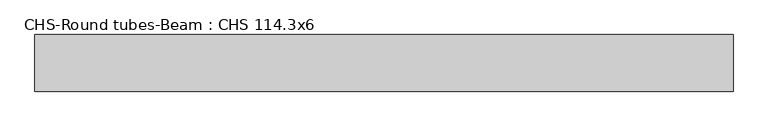
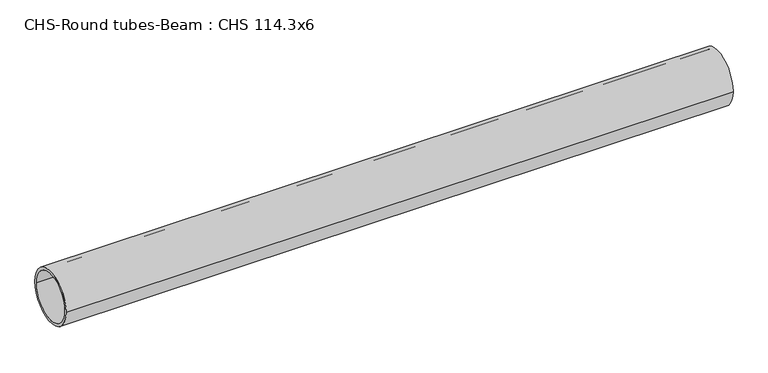
"""IFC4 building model written with IfcOpenShell, lengths in millimetres: beam geometry, CHS-Round tubes-Beam : CHS 114.3x6."""

import ifcopenshell
import ifcopenshell.guid

model = None  # the IFC model being written
_history = None  # IfcOwnerHistory: only IFC2X3 demands one
_inside = {}  # id of a spatial element -> (the spatial element, [elements in it])
_under = {}  # id of a project, library or spatial element -> (it, [spatial elements below it])
_declared = {}  # id of a project -> (the project, [libraries it declares])
_typed = {}  # id of a type object -> (the type object, [elements of that type])
_made_of = {}  # id of a material, layer set ... -> (it, [elements and type objects made of it])


def new_model(schema):
    """Start an empty IFC model of exactly this schema.

    Asked for "IFC4X3", IfcOpenShell would pick the latest addendum, in which some entities
    have other attributes; the version numbers below select the first issue.
    IFC2X3 requires an IfcOwnerHistory on every rooted entity: one is made here for all.
    """
    global model, _history
    if schema == "IFC4X3":
        model = ifcopenshell.file(schema_version=(4, 3, 0, 0))
    else:
        model = ifcopenshell.file(schema=schema)
    _inside.clear()
    _under.clear()
    _declared.clear()
    _typed.clear()
    _made_of.clear()
    _history = None
    if model.schema == "IFC2X3":
        org = make("IfcOrganization", Name="unknown")
        user = make(
            "IfcPersonAndOrganization",
            ThePerson=make("IfcPerson", FamilyName="unknown"),
            TheOrganization=org,
        )
        app = make(
            "IfcApplication",
            ApplicationDeveloper=org,
            Version="unknown",
            ApplicationFullName="unknown",
            ApplicationIdentifier="unknown",
        )
        _history = make(
            "IfcOwnerHistory",
            OwningUser=user,
            OwningApplication=app,
            ChangeAction="ADDED",
            CreationDate=0,
        )
    return model


def make(cls, **values):
    """One entity of the class cls with the attributes given. An attribute that is None is left unset."""
    return model.create_entity(
        cls, **{name: value for name, value in values.items() if value is not None}
    )


def rooted(cls, **values):
    """An entity with a GlobalId (a new one), such as an element, a storey or a relation."""
    return make(cls, GlobalId=ifcopenshell.guid.new(), OwnerHistory=_history, **values)


def si_unit(unit_type, name, prefix=None):
    """IfcSIUnit, for example si_unit("LENGTHUNIT", "METRE", prefix="MILLI")."""
    return make("IfcSIUnit", UnitType=unit_type, Prefix=prefix, Name=name)


def assignment(units):
    """IfcUnitAssignment: the units of a project."""
    return None if units is None else make("IfcUnitAssignment", Units=units)


def point(xyz):
    """IfcCartesianPoint."""
    return None if xyz is None else make("IfcCartesianPoint", Coordinates=xyz)


def direction(xyz):
    """IfcDirection."""
    return None if xyz is None else make("IfcDirection", DirectionRatios=xyz)


def frame(location, z_axis=None, x_axis=None):
    """IfcAxis2Placement3D, a coordinate frame: its origin and axes. An axis left out is left unset."""
    return make(
        "IfcAxis2Placement3D",
        Location=point(location),
        Axis=direction(z_axis),
        RefDirection=direction(x_axis),
    )


def frame_2d(location, x_axis=None):
    """IfcAxis2Placement2D, a coordinate frame in the plane: its origin and x axis."""
    return make(
        "IfcAxis2Placement2D", Location=point(location), RefDirection=direction(x_axis)
    )


def origin():
    """The frame at (0, 0, 0) with its axes left unset."""
    return frame((0.0, 0.0, 0.0))


def origin_2d():
    """The frame at (0, 0) in the plane with its x axis left unset."""
    return frame_2d((0.0, 0.0))


def place(relative_to, where):
    """IfcLocalPlacement: puts the frame where relative to a parent placement (None: the world)."""
    return make(
        "IfcLocalPlacement", PlacementRelTo=relative_to, RelativePlacement=where
    )


def context(
    kind, dimensions, precision=None, world=None, true_north=None, identifier=None
):
    """IfcGeometricRepresentationContext, for example the 3D "Model" context."""
    return make(
        "IfcGeometricRepresentationContext",
        ContextIdentifier=identifier,
        ContextType=kind,
        CoordinateSpaceDimension=dimensions,
        Precision=precision,
        WorldCoordinateSystem=world,
        TrueNorth=true_north,
    )


def project(units=None, contexts=None):
    """IfcProject with its units and contexts."""
    return rooted(
        "IfcProject",
        Name="project",
        RepresentationContexts=contexts,
        UnitsInContext=assignment(units),
    )


def spatial(cls, under=None, at=None, **own):
    """A site, building, storey or space (cls), placed at a placement, below another one or the project."""
    s = rooted(cls, ObjectPlacement=at, **own)
    if under is not None:
        _under.setdefault(under.id(), (under, []))[1].append(s)
    return s


def circle_curve(where, radius):
    """IfcCircle in the frame where."""
    return make("IfcCircle", Position=where, Radius=radius)


def trimmed(basis, trim1, trim2, sense, master):
    """IfcTrimmedCurve: the piece of a basis curve between two trims."""
    return make(
        "IfcTrimmedCurve",
        BasisCurve=basis,
        Trim1=trim1,
        Trim2=trim2,
        SenseAgreement=sense,
        MasterRepresentation=master,
    )


def segment(curve, same_sense, transition):
    """IfcCompositeCurveSegment."""
    return make(
        "IfcCompositeCurveSegment",
        Transition=transition,
        SameSense=same_sense,
        ParentCurve=curve,
    )


def composite_curve(segments, self_intersect=None):
    """IfcCompositeCurve: segments joined end to end."""
    return make("IfcCompositeCurve", Segments=segments, SelfIntersect=self_intersect)


def outline(outer, holes=None, kind="AREA"):
    """IfcArbitraryClosedProfileDef: a profile drawn as a closed curve; with holes, ...WithVoids."""
    if holes is None:
        return make("IfcArbitraryClosedProfileDef", ProfileType=kind, OuterCurve=outer)
    return make(
        "IfcArbitraryProfileDefWithVoids",
        ProfileType=kind,
        OuterCurve=outer,
        InnerCurves=holes,
    )


def extrude(swept, where, along, depth):
    """IfcExtrudedAreaSolid: the profile swept, set in the frame where, extruded along a direction by depth."""
    return make(
        "IfcExtrudedAreaSolid",
        SweptArea=swept,
        Position=where,
        ExtrudedDirection=direction(along),
        Depth=depth,
    )


def shape(context_of_items, identifier, shape_type, items):
    """IfcShapeRepresentation: the items that make up one representation, for example the "Body"."""
    return make(
        "IfcShapeRepresentation",
        ContextOfItems=context_of_items,
        RepresentationIdentifier=identifier,
        RepresentationType=shape_type,
        Items=items,
    )


def source(mapping_origin, context_of_items, identifier, shape_type, items):
    """IfcRepresentationMap: a shape defined once, which mapped items show again and again."""
    return make(
        "IfcRepresentationMap",
        MappingOrigin=mapping_origin,
        MappedRepresentation=shape(context_of_items, identifier, shape_type, items),
    )


def transform(
    local_origin,
    x_axis=None,
    y_axis=None,
    z_axis=None,
    scale=None,
    scale2=None,
    scale3=None,
    uniform=True,
):
    """IfcCartesianTransformationOperator3D, or its non-uniform kind. x_axis, y_axis, z_axis: its Axis1, 2, 3."""
    if uniform:
        return make(
            "IfcCartesianTransformationOperator3D",
            Axis1=direction(x_axis),
            Axis2=direction(y_axis),
            LocalOrigin=point(local_origin),
            Scale=scale,
            Axis3=direction(z_axis),
        )
    return make(
        "IfcCartesianTransformationOperator3DnonUniform",
        Axis1=direction(x_axis),
        Axis2=direction(y_axis),
        LocalOrigin=point(local_origin),
        Scale=scale,
        Axis3=direction(z_axis),
        Scale2=scale2,
        Scale3=scale3,
    )


def mapped(mapping_source, mapping_target):
    """IfcMappedItem: shows the shape of a source again, moved by a transform."""
    return make(
        "IfcMappedItem", MappingSource=mapping_source, MappingTarget=mapping_target
    )


def made_of(thing, what):
    """Note that an element or type object is made of a material, layer set ...; save() writes the relation."""
    if what is not None:
        _made_of.setdefault(what.id(), (what, []))[1].append(thing)
    return thing


def element(
    cls,
    number,
    at=None,
    inside=None,
    cuts=None,
    type_object=None,
    material=None,
    context=None,
    identifier="Body",
    shape_type=None,
    held_by="IfcProductDefinitionShape",
    body=None,
    shapes=None,
    **own,
):
    """One element of the class cls, such as IfcWall. Its Tag is "e" and its number.

    at: its placement. inside: the storey or other place that contains it. cuts: it is an
    opening in that element (IfcRelVoidsElement). A single representation is given by context,
    identifier, shape_type and body (its items); several are given by shapes. held_by: the class
    of the entity that holds the representations. save() writes the other relations.
    """
    e = rooted(cls, Tag="e%d" % number, ObjectPlacement=at, **own)
    if body is not None:
        shapes = [shape(context, identifier, shape_type, body)]
    if shapes is not None:
        e.Representation = make(held_by, Representations=shapes)
    if inside is not None:
        _inside.setdefault(inside.id(), (inside, []))[1].append(e)
    if cuts is not None:
        rooted(
            "IfcRelVoidsElement", RelatingBuildingElement=cuts, RelatedOpeningElement=e
        )
    if type_object is not None:
        _typed.setdefault(type_object.id(), (type_object, []))[1].append(e)
    return made_of(e, material)


def aggregate(whole, parts):
    """IfcRelAggregates: a whole, such as a stair, and the parts it consists of."""
    return rooted("IfcRelAggregates", RelatingObject=whole, RelatedObjects=parts)


def save(model, path):
    """Write the relations noted so far, then the file.

    IfcRelAggregates (storeys below a building ...), IfcRelContainedInSpatialStructure (elements
    in a storey), IfcRelDefinesByType, IfcRelAssociatesMaterial and IfcRelDeclares: one each for
    every whole, place, type object, material and project.
    """
    for whole, parts in _under.values():
        aggregate(whole, parts)
    for where, things in _inside.values():
        rooted(
            "IfcRelContainedInSpatialStructure",
            RelatedElements=things,
            RelatingStructure=where,
        )
    for kind, things in _typed.values():
        rooted("IfcRelDefinesByType", RelatedObjects=things, RelatingType=kind)
    for what, things in _made_of.values():
        rooted("IfcRelAssociatesMaterial", RelatedObjects=things, RelatingMaterial=what)
    for by, libraries in _declared.values():
        rooted("IfcRelDeclares", RelatingContext=by, RelatedDefinitions=libraries)
    model.write(path)


def chs_round_tubes_beam_chs_114_3x6_95398a98(model_context):
    return source(origin(), model_context, "Body", "SweptSolid", [
        extrude(outline(composite_curve([segment(trimmed(circle_curve(origin_2d(), 57.15), [point((57.15, 0.0))], [point((-57.15, 0.0))], False, "CARTESIAN"), True, "CONTINUOUS"), segment(trimmed(circle_curve(origin_2d(), 57.15), [point((-57.15, 0.0))], [point((57.15, 0.0))], False, "CARTESIAN"), True, "CONTINUOUS")], self_intersect=False), holes=[composite_curve([segment(trimmed(circle_curve(origin_2d(), 51.15), [point((51.15, 0.0))], [point((-51.15, 0.0))], True, "CARTESIAN"), True, "CONTINUOUS"), segment(trimmed(circle_curve(origin_2d(), 51.15), [point((-51.15, 0.0))], [point((51.15, 0.0))], True, "CARTESIAN"), True, "CONTINUOUS")], self_intersect=False)]), frame((-702.7335299, 0.0, 0.0), z_axis=(1.0, 0.0, 0.0), x_axis=(0.0, 1.0, 0.0)), (0.0, 0.0, 1.0), 1409.757324),
    ])


if __name__ == "__main__":
    model = new_model("IFC4")
    model_context = context("Model", 3, world=origin())
    ifc_project = project(units=[si_unit("LENGTHUNIT", "METRE", prefix="MILLI")], contexts=[model_context])
    site = spatial("IfcSite", under=ifc_project)
    building = spatial("IfcBuilding", under=site)
    placement = place(None, origin())
    chs_round_tubes_beam_chs_114_3x6_shape = chs_round_tubes_beam_chs_114_3x6_95398a98(model_context)
    element("IfcBeam", 1, ObjectType="CHS-Round tubes-Beam : CHS 114.3x6", at=placement, inside=building, context=model_context, shape_type="MappedRepresentation", body=[
        mapped(chs_round_tubes_beam_chs_114_3x6_shape, transform((0.0, 0.0, 0.0), x_axis=(1.0, 0.0, 0.0), y_axis=(0.0, 1.0, 0.0), z_axis=(0.0, 0.0, 1.0))),
    ])
    save(model, "model.ifc")
